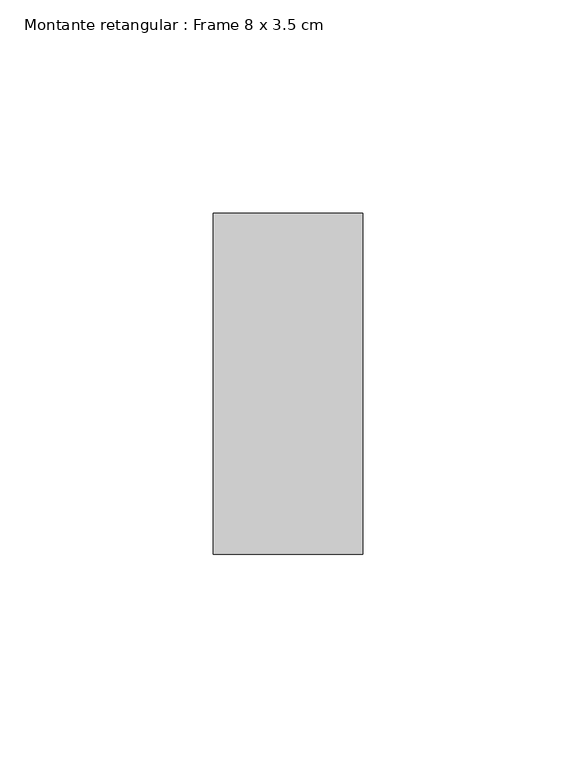
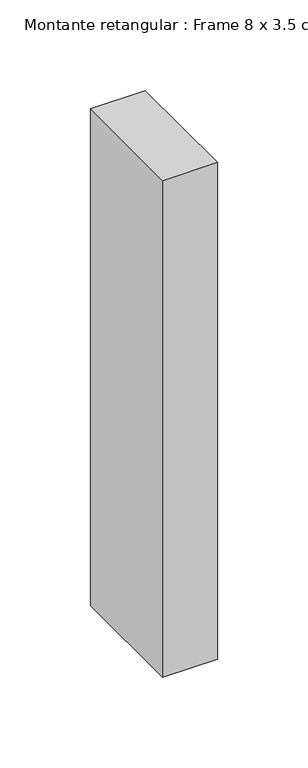
"""IFC4 building model written with IfcOpenShell, lengths in millimetres: member geometry, Montante retangular : Frame 8 x 3.5 cm."""

from ifc_helpers import new_model, si_unit, frame, origin, place, context, project, spatial, polyline, outline, extrude, source, transform, mapped, element, save


def montante_retangular_frame_8_x_3_5_cm_199dcdd2(model_context):
    return source(origin(), model_context, "Body", "SweptSolid", [
        extrude(outline(polyline([(17.5, 40.0), (17.5, -40.0), (-17.5, -40.0), (-17.5, 40.0), (17.5, 40.0)])), frame((0.0, 0.0, -335.0), z_axis=(0.0, 0.0, 1.0), x_axis=(1.0, 0.0, 0.0)), (0.0, 0.0, 1.0), 335.0),
    ])


if __name__ == "__main__":
    model = new_model("IFC4")
    model_context = context("Model", 3, world=origin())
    ifc_project = project(units=[si_unit("LENGTHUNIT", "METRE", prefix="MILLI")], contexts=[model_context])
    site = spatial("IfcSite", under=ifc_project)
    building = spatial("IfcBuilding", under=site)
    placement = place(None, origin())
    montante_retangular_frame_8_x_3_5_cm_shape = montante_retangular_frame_8_x_3_5_cm_199dcdd2(model_context)
    element("IfcMember", 1, ObjectType="Montante retangular : Frame 8 x 3.5 cm", at=placement, inside=building, context=model_context, shape_type="MappedRepresentation", body=[
        mapped(montante_retangular_frame_8_x_3_5_cm_shape, transform((0.0, 0.0, 0.0), x_axis=(1.0, 0.0, 0.0), y_axis=(0.0, 1.0, 0.0), z_axis=(0.0, 0.0, 1.0))),
    ])
    save(model, "model.ifc")
